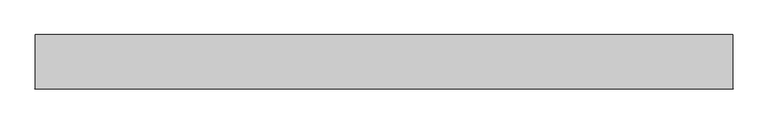
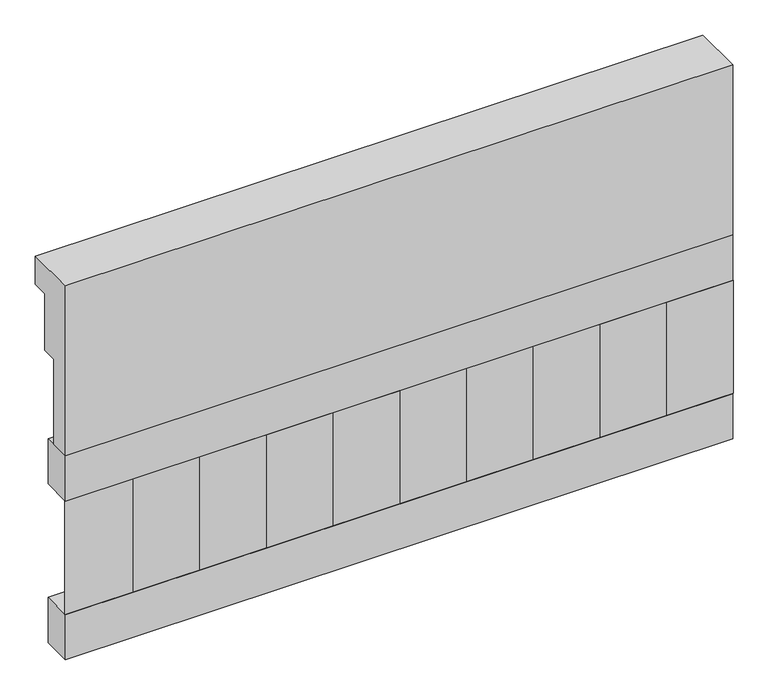
"""IFC4 building model written with IfcOpenShell, lengths in millimetres: railing geometry."""

import ifcopenshell
import ifcopenshell.guid

model = None  # the IFC model being written
_history = None  # IfcOwnerHistory: only IFC2X3 demands one
_inside = {}  # id of a spatial element -> (the spatial element, [elements in it])
_under = {}  # id of a project, library or spatial element -> (it, [spatial elements below it])
_declared = {}  # id of a project -> (the project, [libraries it declares])
_typed = {}  # id of a type object -> (the type object, [elements of that type])
_made_of = {}  # id of a material, layer set ... -> (it, [elements and type objects made of it])


def new_model(schema):
    """Start an empty IFC model of exactly this schema.

    Asked for "IFC4X3", IfcOpenShell would pick the latest addendum, in which some entities
    have other attributes; the version numbers below select the first issue.
    IFC2X3 requires an IfcOwnerHistory on every rooted entity: one is made here for all.
    """
    global model, _history
    if schema == "IFC4X3":
        model = ifcopenshell.file(schema_version=(4, 3, 0, 0))
    else:
        model = ifcopenshell.file(schema=schema)
    _inside.clear()
    _under.clear()
    _declared.clear()
    _typed.clear()
    _made_of.clear()
    _history = None
    if model.schema == "IFC2X3":
        org = make("IfcOrganization", Name="unknown")
        user = make(
            "IfcPersonAndOrganization",
            ThePerson=make("IfcPerson", FamilyName="unknown"),
            TheOrganization=org,
        )
        app = make(
            "IfcApplication",
            ApplicationDeveloper=org,
            Version="unknown",
            ApplicationFullName="unknown",
            ApplicationIdentifier="unknown",
        )
        _history = make(
            "IfcOwnerHistory",
            OwningUser=user,
            OwningApplication=app,
            ChangeAction="ADDED",
            CreationDate=0,
        )
    return model


def make(cls, **values):
    """One entity of the class cls with the attributes given. An attribute that is None is left unset."""
    return model.create_entity(
        cls, **{name: value for name, value in values.items() if value is not None}
    )


def rooted(cls, **values):
    """An entity with a GlobalId (a new one), such as an element, a storey or a relation."""
    return make(cls, GlobalId=ifcopenshell.guid.new(), OwnerHistory=_history, **values)


def si_unit(unit_type, name, prefix=None):
    """IfcSIUnit, for example si_unit("LENGTHUNIT", "METRE", prefix="MILLI")."""
    return make("IfcSIUnit", UnitType=unit_type, Prefix=prefix, Name=name)


def assignment(units):
    """IfcUnitAssignment: the units of a project."""
    return None if units is None else make("IfcUnitAssignment", Units=units)


def point(xyz):
    """IfcCartesianPoint."""
    return None if xyz is None else make("IfcCartesianPoint", Coordinates=xyz)


def direction(xyz):
    """IfcDirection."""
    return None if xyz is None else make("IfcDirection", DirectionRatios=xyz)


def frame(location, z_axis=None, x_axis=None):
    """IfcAxis2Placement3D, a coordinate frame: its origin and axes. An axis left out is left unset."""
    return make(
        "IfcAxis2Placement3D",
        Location=point(location),
        Axis=direction(z_axis),
        RefDirection=direction(x_axis),
    )


def origin():
    """The frame at (0, 0, 0) with its axes left unset."""
    return frame((0.0, 0.0, 0.0))


def place(relative_to, where):
    """IfcLocalPlacement: puts the frame where relative to a parent placement (None: the world)."""
    return make(
        "IfcLocalPlacement", PlacementRelTo=relative_to, RelativePlacement=where
    )


def context(
    kind, dimensions, precision=None, world=None, true_north=None, identifier=None
):
    """IfcGeometricRepresentationContext, for example the 3D "Model" context."""
    return make(
        "IfcGeometricRepresentationContext",
        ContextIdentifier=identifier,
        ContextType=kind,
        CoordinateSpaceDimension=dimensions,
        Precision=precision,
        WorldCoordinateSystem=world,
        TrueNorth=true_north,
    )


def project(units=None, contexts=None):
    """IfcProject with its units and contexts."""
    return rooted(
        "IfcProject",
        Name="project",
        RepresentationContexts=contexts,
        UnitsInContext=assignment(units),
    )


def spatial(cls, under=None, at=None, **own):
    """A site, building, storey or space (cls), placed at a placement, below another one or the project."""
    s = rooted(cls, ObjectPlacement=at, **own)
    if under is not None:
        _under.setdefault(under.id(), (under, []))[1].append(s)
    return s


def polyline(points):
    """IfcPolyline through the points."""
    return make("IfcPolyline", Points=[point(p) for p in points])


def outline(outer, holes=None, kind="AREA"):
    """IfcArbitraryClosedProfileDef: a profile drawn as a closed curve; with holes, ...WithVoids."""
    if holes is None:
        return make("IfcArbitraryClosedProfileDef", ProfileType=kind, OuterCurve=outer)
    return make(
        "IfcArbitraryProfileDefWithVoids",
        ProfileType=kind,
        OuterCurve=outer,
        InnerCurves=holes,
    )


def extrude(swept, where, along, depth):
    """IfcExtrudedAreaSolid: the profile swept, set in the frame where, extruded along a direction by depth."""
    return make(
        "IfcExtrudedAreaSolid",
        SweptArea=swept,
        Position=where,
        ExtrudedDirection=direction(along),
        Depth=depth,
    )


def shape(context_of_items, identifier, shape_type, items):
    """IfcShapeRepresentation: the items that make up one representation, for example the "Body"."""
    return make(
        "IfcShapeRepresentation",
        ContextOfItems=context_of_items,
        RepresentationIdentifier=identifier,
        RepresentationType=shape_type,
        Items=items,
    )


def source(mapping_origin, context_of_items, identifier, shape_type, items):
    """IfcRepresentationMap: a shape defined once, which mapped items show again and again."""
    return make(
        "IfcRepresentationMap",
        MappingOrigin=mapping_origin,
        MappedRepresentation=shape(context_of_items, identifier, shape_type, items),
    )


def transform(
    local_origin,
    x_axis=None,
    y_axis=None,
    z_axis=None,
    scale=None,
    scale2=None,
    scale3=None,
    uniform=True,
):
    """IfcCartesianTransformationOperator3D, or its non-uniform kind. x_axis, y_axis, z_axis: its Axis1, 2, 3."""
    if uniform:
        return make(
            "IfcCartesianTransformationOperator3D",
            Axis1=direction(x_axis),
            Axis2=direction(y_axis),
            LocalOrigin=point(local_origin),
            Scale=scale,
            Axis3=direction(z_axis),
        )
    return make(
        "IfcCartesianTransformationOperator3DnonUniform",
        Axis1=direction(x_axis),
        Axis2=direction(y_axis),
        LocalOrigin=point(local_origin),
        Scale=scale,
        Axis3=direction(z_axis),
        Scale2=scale2,
        Scale3=scale3,
    )


def mapped(mapping_source, mapping_target):
    """IfcMappedItem: shows the shape of a source again, moved by a transform."""
    return make(
        "IfcMappedItem", MappingSource=mapping_source, MappingTarget=mapping_target
    )


def made_of(thing, what):
    """Note that an element or type object is made of a material, layer set ...; save() writes the relation."""
    if what is not None:
        _made_of.setdefault(what.id(), (what, []))[1].append(thing)
    return thing


def element(
    cls,
    number,
    at=None,
    inside=None,
    cuts=None,
    type_object=None,
    material=None,
    context=None,
    identifier="Body",
    shape_type=None,
    held_by="IfcProductDefinitionShape",
    body=None,
    shapes=None,
    **own,
):
    """One element of the class cls, such as IfcWall. Its Tag is "e" and its number.

    at: its placement. inside: the storey or other place that contains it. cuts: it is an
    opening in that element (IfcRelVoidsElement). A single representation is given by context,
    identifier, shape_type and body (its items); several are given by shapes. held_by: the class
    of the entity that holds the representations. save() writes the other relations.
    """
    e = rooted(cls, Tag="e%d" % number, ObjectPlacement=at, **own)
    if body is not None:
        shapes = [shape(context, identifier, shape_type, body)]
    if shapes is not None:
        e.Representation = make(held_by, Representations=shapes)
    if inside is not None:
        _inside.setdefault(inside.id(), (inside, []))[1].append(e)
    if cuts is not None:
        rooted(
            "IfcRelVoidsElement", RelatingBuildingElement=cuts, RelatedOpeningElement=e
        )
    if type_object is not None:
        _typed.setdefault(type_object.id(), (type_object, []))[1].append(e)
    return made_of(e, material)


def aggregate(whole, parts):
    """IfcRelAggregates: a whole, such as a stair, and the parts it consists of."""
    return rooted("IfcRelAggregates", RelatingObject=whole, RelatedObjects=parts)


def save(model, path):
    """Write the relations noted so far, then the file.

    IfcRelAggregates (storeys below a building ...), IfcRelContainedInSpatialStructure (elements
    in a storey), IfcRelDefinesByType, IfcRelAssociatesMaterial and IfcRelDeclares: one each for
    every whole, place, type object, material and project.
    """
    for whole, parts in _under.values():
        aggregate(whole, parts)
    for where, things in _inside.values():
        rooted(
            "IfcRelContainedInSpatialStructure",
            RelatedElements=things,
            RelatingStructure=where,
        )
    for kind, things in _typed.values():
        rooted("IfcRelDefinesByType", RelatedObjects=things, RelatingType=kind)
    for what, things in _made_of.values():
        rooted("IfcRelAssociatesMaterial", RelatedObjects=things, RelatingMaterial=what)
    for by, libraries in _declared.values():
        rooted("IfcRelDeclares", RelatingContext=by, RelatedDefinitions=libraries)
    model.write(path)


def railing_e5a04f3b(model_context):
    return source(origin(), model_context, "Body", "SweptSolid", [
        extrude(outline(polyline([(903.1079487, 21800.0), (1033.1079487, 21800.0), (1033.1079487, 21725.0), (993.1079487, 21725.0), (993.1079487, 21575.0), (953.1079487, 21575.0), (953.1079487, 21350.0), (903.1079487, 21350.0), (903.1079487, 21800.0)])), frame((-29609.9887159, 0.0, 0.0), z_axis=(1.0, 0.0, 0.0), x_axis=(0.0, 1.0, 0.0)), (0.0, 0.0, 1.0), 1670.0),
        extrude(outline(polyline([(-27939.9887159, 978.1079487), (-27939.9887159, 903.1079487), (-29609.9887159, 903.1079487), (-29609.9887159, 978.1079487), (-27939.9887159, 978.1079487)])), frame((0.0, 0.0, 21230.0), z_axis=(0.0, 0.0, 1.0), x_axis=(1.0, 0.0, 0.0)), (0.0, 0.0, 1.0), 120.0),
        extrude(outline(polyline([(-27939.9887159, 978.1079487), (-27939.9887159, 903.1079487), (-29609.9887159, 903.1079487), (-29609.9887159, 978.1079487), (-27939.9887159, 978.1079487)])), frame((0.0, 0.0, 20810.0), z_axis=(0.0, 0.0, 1.0), x_axis=(1.0, 0.0, 0.0)), (0.0, 0.0, 1.0), 120.0),
        extrude(outline(polyline([(-29526.4887159, 987.9607624), (-29441.6359022, 903.1079487), (-29611.3415296, 903.1079487), (-29526.4887159, 987.9607624)])), frame((0.0, 0.0, 20930.0), z_axis=(0.0, 0.0, 1.0), x_axis=(1.0, 0.0, 0.0)), (0.0, 0.0, 1.0), 300.0),
        extrude(outline(polyline([(-29359.4887159, 987.9607624), (-29274.6359022, 903.1079487), (-29444.3415296, 903.1079487), (-29359.4887159, 987.9607624)])), frame((0.0, 0.0, 20930.0), z_axis=(0.0, 0.0, 1.0), x_axis=(1.0, 0.0, 0.0)), (0.0, 0.0, 1.0), 300.0),
        extrude(outline(polyline([(-29192.4887159, 987.9607624), (-29107.6359022, 903.1079487), (-29277.3415296, 903.1079487), (-29192.4887159, 987.9607624)])), frame((0.0, 0.0, 20930.0), z_axis=(0.0, 0.0, 1.0), x_axis=(1.0, 0.0, 0.0)), (0.0, 0.0, 1.0), 300.0),
        extrude(outline(polyline([(-29025.4887159, 987.9607624), (-28940.6359022, 903.1079487), (-29110.3415296, 903.1079487), (-29025.4887159, 987.9607624)])), frame((0.0, 0.0, 20930.0), z_axis=(0.0, 0.0, 1.0), x_axis=(1.0, 0.0, 0.0)), (0.0, 0.0, 1.0), 300.0),
        extrude(outline(polyline([(-28858.4887159, 987.9607624), (-28773.6359022, 903.1079487), (-28943.3415296, 903.1079487), (-28858.4887159, 987.9607624)])), frame((0.0, 0.0, 20930.0), z_axis=(0.0, 0.0, 1.0), x_axis=(1.0, 0.0, 0.0)), (0.0, 0.0, 1.0), 300.0),
        extrude(outline(polyline([(-28691.4887159, 987.9607624), (-28606.6359022, 903.1079487), (-28776.3415296, 903.1079487), (-28691.4887159, 987.9607624)])), frame((0.0, 0.0, 20930.0), z_axis=(0.0, 0.0, 1.0), x_axis=(1.0, 0.0, 0.0)), (0.0, 0.0, 1.0), 300.0),
        extrude(outline(polyline([(-28524.4887159, 987.9607624), (-28439.6359022, 903.1079487), (-28609.3415296, 903.1079487), (-28524.4887159, 987.9607624)])), frame((0.0, 0.0, 20930.0), z_axis=(0.0, 0.0, 1.0), x_axis=(1.0, 0.0, 0.0)), (0.0, 0.0, 1.0), 300.0),
        extrude(outline(polyline([(-28357.4887159, 987.9607624), (-28272.6359022, 903.1079487), (-28442.3415296, 903.1079487), (-28357.4887159, 987.9607624)])), frame((0.0, 0.0, 20930.0), z_axis=(0.0, 0.0, 1.0), x_axis=(1.0, 0.0, 0.0)), (0.0, 0.0, 1.0), 300.0),
        extrude(outline(polyline([(-28190.4887159, 987.9607624), (-28105.6359022, 903.1079487), (-28275.3415296, 903.1079487), (-28190.4887159, 987.9607624)])), frame((0.0, 0.0, 20930.0), z_axis=(0.0, 0.0, 1.0), x_axis=(1.0, 0.0, 0.0)), (0.0, 0.0, 1.0), 300.0),
        extrude(outline(polyline([(-28023.4887159, 987.9607624), (-27938.6359022, 903.1079487), (-28108.3415296, 903.1079487), (-28023.4887159, 987.9607624)])), frame((0.0, 0.0, 20930.0), z_axis=(0.0, 0.0, 1.0), x_axis=(1.0, 0.0, 0.0)), (0.0, 0.0, 1.0), 300.0),
    ])


if __name__ == "__main__":
    model = new_model("IFC4")
    model_context = context("Model", 3, world=origin())
    ifc_project = project(units=[si_unit("LENGTHUNIT", "METRE", prefix="MILLI")], contexts=[model_context])
    site = spatial("IfcSite", under=ifc_project)
    building = spatial("IfcBuilding", under=site)
    placement = place(None, origin())
    railing_shape = railing_e5a04f3b(model_context)
    element("IfcRailing", 1, at=placement, inside=building, context=model_context, shape_type="MappedRepresentation", body=[
        mapped(railing_shape, transform((0.0, 0.0, 0.0), x_axis=(1.0, 0.0, 0.0), y_axis=(0.0, 1.0, 0.0), z_axis=(0.0, 0.0, 1.0))),
    ])
    save(model, "model.ifc")
